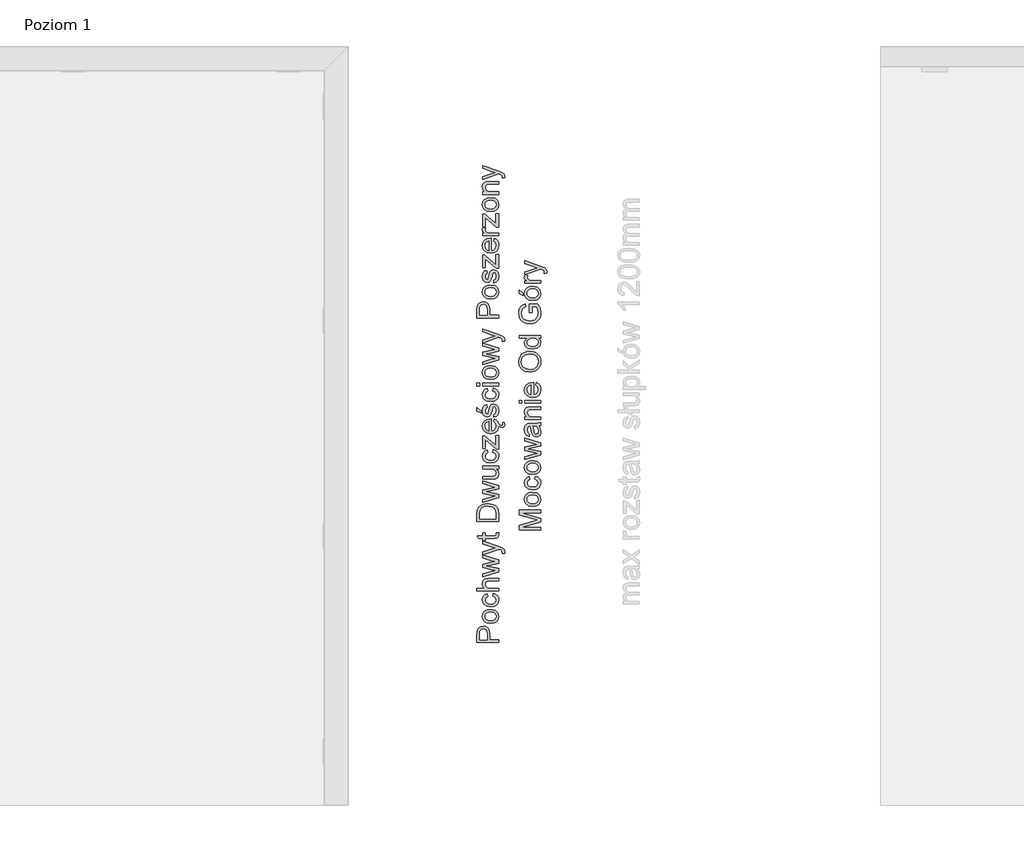
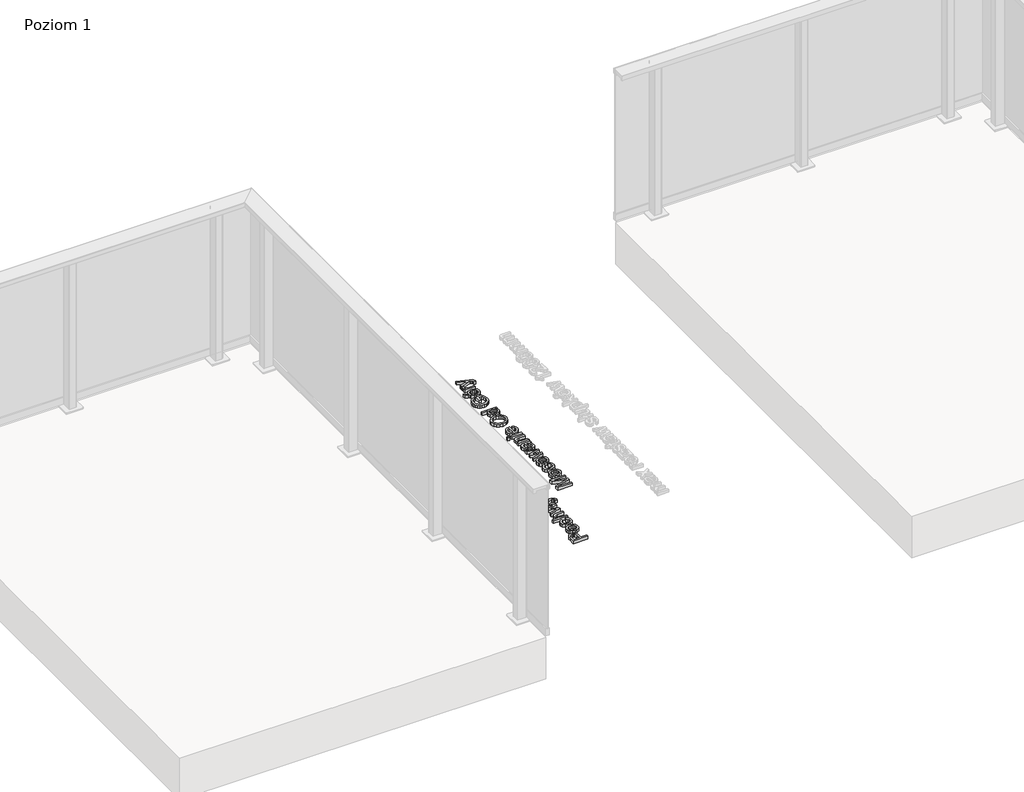
# One storey, part 12 of 35: 2 proxies.
"""IFC4 building model written with IfcOpenShell, lengths in millimetres."""

from ifc_helpers import new_model, si_unit, origin, origin_with_axes, place, context, project, spatial, polyline, outline, extrude, element, save

model = new_model("IFC4")

# Units and contexts
model_context = context("Model", 3, world=origin())
ifc_project = project(units=[si_unit("LENGTHUNIT", "METRE", prefix="MILLI")], contexts=[model_context])

# Site, building, storey
site = spatial("IfcSite", under=ifc_project)
building = spatial("IfcBuilding", under=site)
storey = spatial("IfcBuildingStorey", under=building, Name="Poziom 1", Elevation=0.0)

# Proxies
placement = place(None, origin())
element("IfcBuildingElementProxy", 1, Name="Generic Models", at=placement, inside=storey, context=model_context, shape_type="SweptSolid", body=[
    extrude(outline(polyline([(15115.5993765, -13873.2524168), (15015.1430664, -13873.2524168), (15015.1430664, -13836.0227589), (15016.0995596, -13821.0131735), (15020.7961864, -13808.811754), (15030.508271, -13800.9022911), (15044.205744, -13797.9101842), (15056.0454129, -13799.9304695), (15065.9107817, -13805.9913253), (15072.5694458, -13817.3251565), (15074.7890005, -13835.1643675), (15074.7890005, -13860.695378), (15115.5993765, -13860.695378), (15115.5993765, -13873.2524168)]), holes=[polyline([(15062.2319618, -13860.695378), (15062.2319618, -13834.4286035), (15057.6211741, -13815.9364019), (15052.0722873, -13811.8345177), (15044.6472024, -13810.4672229), (15034.2484047, -13813.6923218), (15028.5584965, -13822.1658704), (15027.7001052, -13834.7229091), (15027.7001052, -13860.695378), (15062.2319618, -13860.695378)])]), origin_with_axes(), (0.0, 0.0, 1.0), 20.0),
    extrude(outline(polyline([(15078.7130752, -13785.3531454), (15060.9259807, -13782.63695), (15048.4241242, -13774.4883638), (15042.298889, -13764.4206599), (15040.2571439, -13752.3663932), (15042.7434131, -13739.1747579), (15050.2022205, -13728.6380045), (15062.0449551, -13721.73102), (15077.6830056, -13719.4286919), (15100.0257054, -13723.4999193), (15112.6685833, -13735.3579822), (15117.1690064, -13752.3663932), (15114.6919343, -13765.7174439), (15107.260718, -13776.2419346), (15095.1696631, -13783.0753427), (15078.7130752, -13785.3531454)]), holes=[polyline([(15078.6885497, -13772.7961066), (15090.0530377, -13771.3429727), (15098.1495072, -13766.9835711), (15102.9963525, -13760.4230089), (15104.6119676, -13752.3663932), (15102.9871555, -13744.3465657), (15098.112719, -13737.7982661), (15089.9089505, -13733.4388645), (15078.2961422, -13731.9857306), (15067.2627481, -13733.4480616), (15059.2766431, -13737.8350543), (15054.4297978, -13744.3925509), (15052.8141827, -13752.3663932), (15054.4236664, -13760.4230089), (15059.2521176, -13766.9835711), (15067.3301931, -13771.3429727), (15078.6885497, -13772.7961066)])]), origin_with_axes(), (0.0, 0.0, 1.0), 20.0),
    extrude(outline(polyline([(15088.9156692, -13658.2131279), (15090.485299, -13645.6560891), (15101.6535832, -13649.1570994), (15110.0934093, -13655.7360558), (15115.4001071, -13664.7736901), (15117.1690064, -13675.6507344), (15114.7011313, -13689.0079165), (15107.2975062, -13699.4526995), (15095.2830934, -13706.1941371), (15078.9828553, -13708.4412829), (15058.1239462, -13704.6030475), (15044.7207788, -13692.9044), (15040.2571439, -13675.8224127), (15041.7899856, -13665.2120828), (15046.3885105, -13656.7293371), (15053.8074641, -13650.6439558), (15063.8015916, -13647.2257189), (15065.3712215, -13659.7827577), (15055.9657051, -13665.607556), (15052.8141827, -13675.7243108), (15054.3654184, -13683.8391745), (15059.0191257, -13690.2801751), (15067.0266904, -13694.4832269), (15078.6394988, -13695.8842442), (15090.4086569, -13694.5138837), (15098.4438128, -13690.4028024), (15103.0699289, -13684.0782978), (15104.6119676, -13676.0676674), (15100.7614694, -13664.2341298), (15088.9156692, -13658.2131279)])), origin_with_axes(), (0.0, 0.0, 1.0), 20.0),
    extrude(outline(polyline([(15115.5993765, -13634.6686802), (15015.1430664, -13634.6686802), (15015.1430664, -13622.1116414), (15052.0784187, -13622.1116414), (15043.2124626, -13612.319849), (15040.2571439, -13600.2594509), (15043.4822427, -13586.1573077), (15052.3972498, -13577.59792), (15068.9028886, -13575.022746), (15115.5993765, -13575.022746), (15115.5993765, -13587.5797848), (15070.2027383, -13587.5797848), (15056.9589865, -13591.5774358), (15052.8141827, -13602.9082013), (15055.6100859, -13613.1966344), (15063.188455, -13620.063765), (15076.4076813, -13622.1116414), (15115.5993765, -13622.1116414), (15115.5993765, -13634.6686802)])), origin_with_axes(), (0.0, 0.0, 1.0), 20.0),
    extrude(outline(polyline([(15115.5993765, -13545.51861), (15041.8267738, -13567.9594117), (15041.8267738, -13554.9118636), (15084.8689672, -13542.1831466), (15100.2464346, -13538.3816993), (15085.4330529, -13535.2669651), (15041.8267738, -13525.1379475), (15041.8267738, -13510.177413), (15085.3104256, -13500.0974463), (15098.7258557, -13497.3260686), (15084.5746616, -13493.3529431), (15041.8267738, -13480.5997006), (15041.8267738, -13467.5031016), (15115.5993765, -13490.1155815), (15115.5993765, -13505.2968452), (15072.3364539, -13514.9353535), (15058.8474474, -13517.7312566), (15115.5993765, -13530.1656681), (15115.5993765, -13545.51861)])), origin_with_axes(), (0.0, 0.0, 1.0), 20.0),
    extrude(outline(polyline([(15143.8527138, -13458.8701374), (15131.7616589, -13460.4397673), (15132.8653048, -13454.063146), (15131.479616, -13448.1034577), (15127.616855, -13444.4491632), (15118.3707542, -13441.0155979), (15115.3295964, -13440.0345793), (15041.8267738, -13466.7182866), (15041.8267738, -13453.4745348), (15082.7843026, -13439.3233407), (15099.1673141, -13434.393722), (15084.6972889, -13429.4641033), (15041.8267738, -13414.9205017), (15041.8267738, -13401.7748518), (15117.3652101, -13427.453015), (15133.7482216, -13434.1239419), (15142.601915, -13441.4080054), (15145.4223436, -13451.1936664), (15143.8527138, -13458.8701374)])), origin_with_axes(), (0.0, 0.0, 1.0), 20.0),
    extrude(outline(polyline([(15105.1270024, -13364.6923466), (15115.9672585, -13363.1227168), (15117.1690064, -13372.5159704), (15115.0843417, -13383.0373955), (15109.6151627, -13388.2858453), (15095.3658668, -13389.8064242), (15054.3838125, -13389.8064242), (15054.3838125, -13399.2242033), (15041.8267738, -13399.2242033), (15041.8267738, -13389.8064242), (15023.8986579, -13389.8064242), (15016.5164925, -13377.2493854), (15041.8267738, -13377.2493854), (15041.8267738, -13364.6923466), (15054.3838125, -13364.6923466), (15054.3838125, -13377.2493854), (15094.9979848, -13377.2493854), (15101.4727079, -13376.5871978), (15103.765839, -13374.4412195), (15104.6119676, -13370.1615256), (15105.1270024, -13364.6923466)])), origin_with_axes(), (0.0, 0.0, 1.0), 20.0),
    extrude(outline(polyline([(15115.5993765, -13311.3249319), (15015.1430664, -13311.3249319), (15015.1430664, -13276.6704479), (15016.5900689, -13258.742332), (15023.7760305, -13243.9780013), (15040.943857, -13232.0831501), (15064.8316612, -13228.13455), (15085.1019591, -13230.8078259), (15099.7313998, -13237.6749564), (15108.8426106, -13246.8474809), (15113.8825939, -13258.8526966), (15115.5993765, -13275.0027162), (15115.5993765, -13311.3249319)]), holes=[polyline([(15103.0423378, -13298.7678931), (15103.0423378, -13276.5478206), (15101.2274533, -13260.3855383), (15096.1016308, -13251.0658611), (15083.6304312, -13243.4261783), (15064.6354575, -13240.6915888), (15050.9502472, -13242.0312924), (15040.8457551, -13246.0504032), (15029.7111934, -13259.0856886), (15027.7001052, -13276.8911771), (15027.7001052, -13298.7678931), (15103.0423378, -13298.7678931)])]), origin_with_axes(), (0.0, 0.0, 1.0), 20.0),
    extrude(outline(polyline([(15115.5993765, -13200.2000439), (15041.8267738, -13222.6408456), (15041.8267738, -13209.5932975), (15084.8689672, -13196.8645804), (15100.2464346, -13193.0631332), (15085.4330529, -13189.9483989), (15041.8267738, -13179.8193813), (15041.8267738, -13164.8588469), (15085.3104256, -13154.7788802), (15098.7258557, -13152.0075025), (15084.5746616, -13148.0343769), (15041.8267738, -13135.2811344), (15041.8267738, -13122.1845354), (15115.5993765, -13144.7970154), (15115.5993765, -13159.9782791), (15072.3364539, -13169.6167873), (15058.8474474, -13172.4126905), (15115.5993765, -13184.8471019), (15115.5993765, -13200.2000439)])), origin_with_axes(), (0.0, 0.0, 1.0), 20.0),
    extrude(outline(polyline([(15115.5993765, -13066.4626759), (15102.9197104, -13066.4626759), (15113.6066824, -13076.2973879), (15117.1690064, -13089.1242068), (15114.6674088, -13100.9332188), (15108.3888894, -13109.0756737), (15099.1427886, -13112.8158073), (15087.4686666, -13113.5515713), (15041.8267738, -13113.5515713), (15041.8267738, -13100.9945325), (15081.5580292, -13100.9945325), (15094.3603227, -13100.234243), (15101.8773781, -13095.2678361), (15104.6119676, -13085.9113707), (15101.8160644, -13075.4267338), (15094.2009071, -13068.4982896), (15080.2091286, -13066.4626759), (15041.8267738, -13066.4626759), (15041.8267738, -13053.9056371), (15115.5993765, -13053.9056371), (15115.5993765, -13066.4626759)])), origin_with_axes(), (0.0, 0.0, 1.0), 20.0),
    extrude(outline(polyline([(15088.9156692, -12989.5508134), (15090.485299, -12976.9937747), (15101.6535832, -12980.494785), (15110.0934093, -12987.0737413), (15115.4001071, -12996.1113757), (15117.1690064, -13006.98842), (15114.7011313, -13020.3456021), (15107.2975062, -13030.7903851), (15095.2830934, -13037.5318226), (15078.9828553, -13039.7789685), (15058.1239462, -13035.940733), (15044.7207788, -13024.2420856), (15040.2571439, -13007.1600983), (15041.7899856, -12996.5497684), (15046.3885105, -12988.0670227), (15053.8074641, -12981.9816414), (15063.8015916, -12978.5634045), (15065.3712215, -12991.1204433), (15055.9657051, -12996.9452415), (15052.8141827, -13007.0619964), (15054.3654184, -13015.1768601), (15059.0191257, -13021.6178607), (15067.0266904, -13025.8209125), (15078.6394988, -13027.2219297), (15090.4086569, -13025.8515693), (15098.4438128, -13021.740488), (15103.0699289, -13015.4159834), (15104.6119676, -13007.4053529), (15100.7614694, -12995.5718154), (15088.9156692, -12989.5508134)])), origin_with_axes(), (0.0, 0.0, 1.0), 20.0),
    extrude(outline(polyline([(15115.5993765, -12973.854515), (15103.7781018, -12973.854515), (15054.3838125, -12930.5180159), (15054.3838125, -12943.3448348), (15054.3838125, -12970.7152553), (15041.8267738, -12970.7152553), (15041.8267738, -12912.638951), (15052.4953516, -12912.638951), (15096.32236, -12951.0703567), (15103.0423378, -12956.9564687), (15103.0423378, -12942.4373926), (15103.0423378, -12911.0693211), (15115.5993765, -12911.0693211), (15115.5993765, -12973.854515)])), origin_with_axes(), (0.0, 0.0, 1.0), 20.0),
    extrude(outline(polyline([(15093.6245587, -12846.8616502), (15095.1941885, -12834.5498661), (15104.4709462, -12838.9859098), (15111.4055218, -12846.0645726), (15115.768218, -12855.9570793), (15121.6694295, -12861.8344474), (15128.9902812, -12863.9804257), (15133.9689508, -12862.4475841), (15136.0045645, -12857.4811772), (15135.5631061, -12854.3419175), (15134.3858838, -12851.423387), (15143.0433734, -12851.423387), (15145.4223436, -12860.2280294), (15144.4167995, -12866.0037767), (15141.6454218, -12870.1240551), (15137.5864571, -12872.5888644), (15132.6691011, -12873.3982048), (15123.7540941, -12870.9456582), (15116.8755159, -12865.091109), (15117.1690064, -12867.5120929), (15114.6827372, -12882.2457668), (15107.2239298, -12893.5826636), (15095.276962, -12900.8115448), (15079.3262118, -12903.2211719), (15062.8389671, -12900.7870194), (15050.5087889, -12893.4845618), (15042.8200552, -12882.3009491), (15040.2571439, -12868.2233314), (15042.8139238, -12854.5841064), (15050.4842634, -12843.6856023), (15062.7899161, -12836.5394946), (15079.2526354, -12834.1574587), (15082.6371498, -12834.2310351), (15082.6371498, -12890.6641331), (15092.0365347, -12888.4905637), (15098.9465849, -12883.4413833), (15103.1956219, -12876.1542541), (15104.6119676, -12867.2668382), (15101.9877427, -12854.9550541), (15093.6245587, -12846.8616502)]), holes=[polyline([(15070.080111, -12890.6641331), (15070.080111, -12846.7144974), (15058.7002946, -12851.742218), (15054.2857107, -12859.0630697), (15052.8141827, -12868.2723823), (15057.5108095, -12883.7356889), (15063.0014483, -12888.6009283), (15070.080111, -12890.6641331)])]), origin_with_axes(), (0.0, 0.0, 1.0), 20.0),
    extrude(outline(polyline([(15093.6245587, -12826.3093094), (15092.0549288, -12813.7522707), (15101.3746061, -12807.9397351), (15104.6119676, -12794.6224069), (15101.6443862, -12781.8201135), (15094.6791537, -12777.6507842), (15089.0382965, -12781.8446389), (15085.4575784, -12794.7695597), (15079.3139491, -12813.6786943), (15072.1402502, -12821.9315137), (15062.0112326, -12824.7396796), (15052.6547672, -12822.4833367), (15045.5055937, -12816.3274446), (15041.7899856, -12808.3444053), (15040.2571439, -12797.5409374), (15042.7219533, -12782.2615719), (15049.3928801, -12772.5494872), (15060.6623319, -12768.2330051), (15062.2319618, -12780.7900439), (15055.3035175, -12785.5111962), (15052.8141827, -12796.5599188), (15055.1931529, -12808.5773973), (15060.7359083, -12812.1826408), (15064.3902028, -12810.6865874), (15067.1615805, -12806.0022233), (15069.8348563, -12795.1864926), (15075.7454937, -12776.7556047), (15082.440946, -12768.1962169), (15093.3547786, -12765.0937454), (15105.3722571, -12768.7357772), (15114.0910604, -12779.2449395), (15117.1690064, -12794.7940852), (15115.6852157, -12807.4553572), (15111.2338435, -12816.6953266), (15103.8639409, -12822.8634814), (15093.6245587, -12826.3093094)])), origin_with_axes(), (0.0, 0.0, 1.0), 20.0),
    extrude(outline(polyline([(15033.9786245, -12807.4737513), (15015.1430664, -12798.0559722), (15015.1430664, -12782.3596737), (15033.9786245, -12798.0559722), (15033.9786245, -12807.4737513)])), origin_with_axes(), (0.0, 0.0, 1.0), 20.0),
    extrude(outline(polyline([(15088.9156692, -12703.8781814), (15090.485299, -12691.3211427), (15101.6535832, -12694.822153), (15110.0934093, -12701.4011093), (15115.4001071, -12710.4387437), (15117.1690064, -12721.315788), (15114.7011313, -12734.6729701), (15107.2975062, -12745.1177531), (15095.2830934, -12751.8591907), (15078.9828553, -12754.1063365), (15058.1239462, -12750.268101), (15044.7207788, -12738.5694536), (15040.2571439, -12721.4874663), (15041.7899856, -12710.8771364), (15046.3885105, -12702.3943907), (15053.8074641, -12696.3090094), (15063.8015916, -12692.8907725), (15065.3712215, -12705.4478113), (15055.9657051, -12711.2726095), (15052.8141827, -12721.3893644), (15054.3654184, -12729.5042281), (15059.0191257, -12735.9452287), (15067.0266904, -12740.1482805), (15078.6394988, -12741.5492977), (15090.4086569, -12740.1789373), (15098.4438128, -12736.067856), (15103.0699289, -12729.7433514), (15104.6119676, -12721.7327209), (15100.7614694, -12709.8991834), (15088.9156692, -12703.8781814)])), origin_with_axes(), (0.0, 0.0, 1.0), 20.0),
    extrude(outline(polyline([(15027.7001052, -12680.3337337), (15015.1430664, -12680.3337337), (15015.1430664, -12667.776695), (15027.7001052, -12667.776695), (15027.7001052, -12680.3337337)])), origin_with_axes(), (0.0, 0.0, 1.0), 20.0),
    extrude(outline(polyline([(15115.5993765, -12680.3337337), (15041.8267738, -12680.3337337), (15041.8267738, -12667.776695), (15115.5993765, -12667.776695), (15115.5993765, -12680.3337337)])), origin_with_axes(), (0.0, 0.0, 1.0), 20.0),
    extrude(outline(polyline([(15078.7130752, -12652.0803965), (15060.9259807, -12649.3642011), (15048.4241242, -12641.2156149), (15042.298889, -12631.147911), (15040.2571439, -12619.0936443), (15042.7434131, -12605.9020091), (15050.2022205, -12595.3652556), (15062.0449551, -12588.4582711), (15077.6830056, -12586.155943), (15100.0257054, -12590.2271704), (15112.6685833, -12602.0852334), (15117.1690064, -12619.0936443), (15114.6919343, -12632.444695), (15107.260718, -12642.9691858), (15095.1696631, -12649.8025938), (15078.7130752, -12652.0803965)]), holes=[polyline([(15078.6885497, -12639.5233577), (15090.0530377, -12638.0702239), (15098.1495072, -12633.7108222), (15102.9963525, -12627.15026), (15104.6119676, -12619.0936443), (15102.9871555, -12611.0738168), (15098.112719, -12604.5255173), (15089.9089505, -12600.1661156), (15078.2961422, -12598.7129817), (15067.2627481, -12600.1753127), (15059.2766431, -12604.5623055), (15054.4297978, -12611.119802), (15052.8141827, -12619.0936443), (15054.4236664, -12627.15026), (15059.2521176, -12633.7108222), (15067.3301931, -12638.0702239), (15078.6885497, -12639.5233577)])]), origin_with_axes(), (0.0, 0.0, 1.0), 20.0),
    extrude(outline(polyline([(15115.5993765, -12559.7910667), (15041.8267738, -12582.2318684), (15041.8267738, -12569.1843203), (15084.8689672, -12556.4556032), (15100.2464346, -12552.654156), (15085.4330529, -12549.5394217), (15041.8267738, -12539.4104041), (15041.8267738, -12524.4498697), (15085.3104256, -12514.369903), (15098.7258557, -12511.5985253), (15084.5746616, -12507.6253997), (15041.8267738, -12494.8721572), (15041.8267738, -12481.7755582), (15115.5993765, -12504.3880382), (15115.5993765, -12519.5693019), (15072.3364539, -12529.2078101), (15058.8474474, -12532.0037133), (15115.5993765, -12544.4381247), (15115.5993765, -12559.7910667)])), origin_with_axes(), (0.0, 0.0, 1.0), 20.0),
    extrude(outline(polyline([(15143.8527138, -12473.1425941), (15131.7616589, -12474.7122239), (15132.8653048, -12468.3356027), (15131.479616, -12462.3759143), (15127.616855, -12458.7216199), (15118.3707542, -12455.2880546), (15115.3295964, -12454.3070359), (15041.8267738, -12480.9907433), (15041.8267738, -12467.7469915), (15082.7843026, -12453.5957974), (15099.1673141, -12448.6661787), (15084.6972889, -12443.7365599), (15041.8267738, -12429.1929584), (15041.8267738, -12416.0473084), (15117.3652101, -12441.7254717), (15133.7482216, -12448.3963985), (15142.601915, -12455.680462), (15145.4223436, -12465.4661231), (15143.8527138, -12473.1425941)])), origin_with_axes(), (0.0, 0.0, 1.0), 20.0),
    extrude(outline(polyline([(15115.5993765, -12364.8381347), (15015.1430664, -12364.8381347), (15015.1430664, -12327.6084768), (15016.0995596, -12312.5988914), (15020.7961864, -12300.3974719), (15030.508271, -12292.488009), (15044.205744, -12289.4959021), (15056.0454129, -12291.5161874), (15065.9107817, -12297.5770432), (15072.5694458, -12308.9108744), (15074.7890005, -12326.7500854), (15074.7890005, -12352.2810959), (15115.5993765, -12352.2810959), (15115.5993765, -12364.8381347)]), holes=[polyline([(15062.2319618, -12352.2810959), (15062.2319618, -12326.0143215), (15057.6211741, -12307.5221198), (15052.0722873, -12303.4202356), (15044.6472024, -12302.0529408), (15034.2484047, -12305.2780397), (15028.5584965, -12313.7515883), (15027.7001052, -12326.3086271), (15027.7001052, -12352.2810959), (15062.2319618, -12352.2810959)])]), origin_with_axes(), (0.0, 0.0, 1.0), 20.0),
    extrude(outline(polyline([(15078.7130752, -12276.9388633), (15060.9259807, -12274.2226679), (15048.4241242, -12266.0740817), (15042.298889, -12256.0063778), (15040.2571439, -12243.9521111), (15042.7434131, -12230.7604759), (15050.2022205, -12220.2237224), (15062.0449551, -12213.3167379), (15077.6830056, -12211.0144098), (15100.0257054, -12215.0856372), (15112.6685833, -12226.9437002), (15117.1690064, -12243.9521111), (15114.6919343, -12257.3031618), (15107.260718, -12267.8276526), (15095.1696631, -12274.6610606), (15078.7130752, -12276.9388633)]), holes=[polyline([(15078.6885497, -12264.3818245), (15090.0530377, -12262.9286907), (15098.1495072, -12258.569289), (15102.9963525, -12252.0087268), (15104.6119676, -12243.9521111), (15102.9871555, -12235.9322836), (15098.112719, -12229.3839841), (15089.9089505, -12225.0245824), (15078.2961422, -12223.5714485), (15067.2627481, -12225.0337795), (15059.2766431, -12229.4207723), (15054.4297978, -12235.9782688), (15052.8141827, -12243.9521111), (15054.4236664, -12252.0087268), (15059.2521176, -12258.569289), (15067.3301931, -12262.9286907), (15078.6885497, -12264.3818245)])]), origin_with_axes(), (0.0, 0.0, 1.0), 20.0),
    extrude(outline(polyline([(15093.6245587, -12201.5966307), (15092.0549288, -12189.0395919), (15101.3746061, -12183.2270564), (15104.6119676, -12169.9097282), (15101.6443862, -12157.1074347), (15094.6791537, -12152.9381055), (15089.0382965, -12157.1319602), (15085.4575784, -12170.056881), (15079.3139491, -12188.9660155), (15072.1402502, -12197.2188349), (15062.0112326, -12200.0270008), (15052.6547672, -12197.7706579), (15045.5055937, -12191.6147659), (15041.7899856, -12183.6317266), (15040.2571439, -12172.8282587), (15042.7219533, -12157.5488931), (15049.3928801, -12147.8368085), (15060.6623319, -12143.5203264), (15062.2319618, -12156.0773652), (15055.3035175, -12160.7985174), (15052.8141827, -12171.84724), (15055.1931529, -12183.8647185), (15060.7359083, -12187.4699621), (15064.3902028, -12185.9739086), (15067.1615805, -12181.2895446), (15069.8348563, -12170.4738139), (15075.7454937, -12152.0429259), (15082.440946, -12143.4835382), (15093.3547786, -12140.3810667), (15105.3722571, -12144.0230984), (15114.0910604, -12154.5322608), (15117.1690064, -12170.0814064), (15115.6852157, -12182.7426784), (15111.2338435, -12191.9826479), (15103.8639409, -12198.1508027), (15093.6245587, -12201.5966307)])), origin_with_axes(), (0.0, 0.0, 1.0), 20.0),
    extrude(outline(polyline([(15115.5993765, -12134.1025473), (15103.7781018, -12134.1025473), (15054.3838125, -12090.7660483), (15054.3838125, -12103.5928672), (15054.3838125, -12130.9632876), (15041.8267738, -12130.9632876), (15041.8267738, -12072.8869833), (15052.4953516, -12072.8869833), (15096.32236, -12111.3183891), (15103.0423378, -12117.204501), (15103.0423378, -12102.6854249), (15103.0423378, -12071.3173535), (15115.5993765, -12071.3173535), (15115.5993765, -12134.1025473)])), origin_with_axes(), (0.0, 0.0, 1.0), 20.0),
    extrude(outline(polyline([(15093.6245587, -12007.1096826), (15095.1941885, -11994.7978985), (15104.4709462, -11999.2339422), (15111.4055218, -12006.3126049), (15115.7281352, -12015.8744711), (15117.1690064, -12027.7601252), (15114.6827372, -12042.4937991), (15107.2239298, -12053.830696), (15095.276962, -12061.0595772), (15079.3262118, -12063.4692042), (15062.8389671, -12061.0350517), (15050.5087889, -12053.7325941), (15042.8200552, -12042.5489814), (15040.2571439, -12028.4713638), (15042.8139238, -12014.8321388), (15050.4842634, -12003.9336347), (15062.7899161, -11996.7875269), (15079.2526354, -11994.405491), (15082.6371498, -11994.4790674), (15082.6371498, -12050.9121655), (15092.0365347, -12048.738596), (15098.9465849, -12043.6894156), (15103.1956219, -12036.4022864), (15104.6119676, -12027.5148706), (15101.9877427, -12015.2030865), (15093.6245587, -12007.1096826)]), holes=[polyline([(15070.080111, -12050.9121655), (15070.080111, -12006.9625298), (15058.7002946, -12011.9902504), (15054.2857107, -12019.3111021), (15052.8141827, -12028.5204147), (15057.5108095, -12043.9837212), (15063.0014483, -12048.8489606), (15070.080111, -12050.9121655)])]), origin_with_axes(), (0.0, 0.0, 1.0), 20.0),
    extrude(outline(polyline([(15115.5993765, -11942.6077061), (15103.7781018, -11942.6077061), (15054.3838125, -11899.2712071), (15054.3838125, -11912.098026), (15054.3838125, -11939.4684464), (15041.8267738, -11939.4684464), (15041.8267738, -11881.3921421), (15052.4953516, -11881.3921421), (15096.32236, -11919.8235479), (15103.0423378, -11925.7096598), (15103.0423378, -11911.1905837), (15103.0423378, -11879.8225122), (15115.5993765, -11879.8225122), (15115.5993765, -11942.6077061)])), origin_with_axes(), (0.0, 0.0, 1.0), 20.0),
    extrude(outline(polyline([(15115.5993765, -11981.8484522), (15041.8267738, -11981.8484522), (15041.8267738, -11970.8610433), (15052.7406063, -11970.8610433), (15042.6851651, -11963.061945), (15040.2571439, -11955.2137958), (15044.1321676, -11942.6077061), (15055.3893567, -11946.8015608), (15052.8141827, -11955.6307287), (15055.2912548, -11962.7308512), (15062.1583854, -11967.2557998), (15076.8246142, -11969.2914135), (15115.5993765, -11969.2914135), (15115.5993765, -11981.8484522)])), origin_with_axes(), (0.0, 0.0, 1.0), 20.0),
    extrude(outline(polyline([(15078.7130752, -11870.4047332), (15060.9259807, -11867.6885378), (15048.4241242, -11859.5399516), (15042.298889, -11849.4722476), (15040.2571439, -11837.4179809), (15042.7434131, -11824.2263457), (15050.2022205, -11813.6895922), (15062.0449551, -11806.7826078), (15077.6830056, -11804.4802796), (15100.0257054, -11808.551507), (15112.6685833, -11820.40957), (15117.1690064, -11837.4179809), (15114.6919343, -11850.7690317), (15107.260718, -11861.2935224), (15095.1696631, -11868.1269305), (15078.7130752, -11870.4047332)]), holes=[polyline([(15078.6885497, -11857.8476944), (15090.0530377, -11856.3945605), (15098.1495072, -11852.0351589), (15102.9963525, -11845.4745966), (15104.6119676, -11837.4179809), (15102.9871555, -11829.3981534), (15098.112719, -11822.8498539), (15089.9089505, -11818.4904523), (15078.2961422, -11817.0373184), (15067.2627481, -11818.4996493), (15059.2766431, -11822.8866421), (15054.4297978, -11829.4441387), (15052.8141827, -11837.4179809), (15054.4236664, -11845.4745966), (15059.2521176, -11852.0351589), (15067.3301931, -11856.3945605), (15078.6885497, -11857.8476944)])]), origin_with_axes(), (0.0, 0.0, 1.0), 20.0),
    extrude(outline(polyline([(15115.5993765, -11790.353611), (15041.8267738, -11790.353611), (15041.8267738, -11777.7965722), (15052.1274696, -11777.7965722), (15043.2247253, -11768.1948522), (15040.2571439, -11755.0859904), (15042.6483769, -11743.2279274), (15048.9268963, -11735.1345235), (15058.1607344, -11731.3698645), (15070.3008402, -11730.7076769), (15115.5993765, -11730.7076769), (15115.5993765, -11743.2647156), (15071.9930974, -11743.2647156), (15060.8830611, -11744.7117181), (15055.0092119, -11749.8252779), (15052.8141827, -11758.4459793), (15057.7438014, -11772.0698759), (15064.8868435, -11776.3648981), (15076.4567322, -11777.7965722), (15115.5993765, -11777.7965722), (15115.5993765, -11790.353611)])), origin_with_axes(), (0.0, 0.0, 1.0), 20.0),
    extrude(outline(polyline([(15143.8527138, -11713.4417486), (15131.7616589, -11715.0113784), (15132.8653048, -11708.6347572), (15131.479616, -11702.6750688), (15127.616855, -11699.0207743), (15118.3707542, -11695.5872091), (15115.3295964, -11694.6061904), (15041.8267738, -11721.2898978), (15041.8267738, -11708.046146), (15082.7843026, -11693.8949519), (15099.1673141, -11688.9653331), (15084.6972889, -11684.0357144), (15041.8267738, -11669.4921129), (15041.8267738, -11656.3464629), (15117.3652101, -11682.0246262), (15133.7482216, -11688.695553), (15142.601915, -11695.9796165), (15145.4223436, -11705.7652776), (15143.8527138, -11713.4417486)])), origin_with_axes(), (0.0, 0.0, 1.0), 20.0),
])
element("IfcBuildingElementProxy", 2, Name="Generic Models", at=placement, inside=storey, context=model_context, shape_type="SweptSolid", body=[
    extrude(outline(polyline([(15311.0111089, -13350.8578482), (15210.5547987, -13350.8578482), (15210.5547987, -13329.2509123), (15281.3598201, -13308.6985715), (15296.1486763, -13304.5537677), (15280.1335468, -13300.0656074), (15210.5547987, -13279.8566231), (15210.5547987, -13258.2496873), (15311.0111089, -13258.2496873), (15311.0111089, -13270.806726), (15223.1118375, -13270.806726), (15311.0111089, -13296.0434309), (15311.0111089, -13313.0641045), (15223.1118375, -13338.3008094), (15311.0111089, -13338.3008094), (15311.0111089, -13350.8578482)])), origin_with_axes(), (0.0, 0.0, 1.0), 20.0),
    extrude(outline(polyline([(15274.1248075, -13240.983759), (15256.337713, -13238.2675636), (15243.8358566, -13230.1189774), (15237.7106214, -13220.0512734), (15235.6688763, -13207.9970067), (15238.1551454, -13194.8053715), (15245.6139529, -13184.268618), (15257.4566874, -13177.3616336), (15273.0947379, -13175.0593054), (15295.4374378, -13179.1305328), (15308.0803157, -13190.9885958), (15312.5807387, -13207.9970067), (15310.1036666, -13221.3480575), (15302.6724503, -13231.8725482), (15290.5813954, -13238.7059563), (15274.1248075, -13240.983759)]), holes=[polyline([(15274.100282, -13228.4267202), (15285.46477, -13226.9735863), (15293.5612396, -13222.6141847), (15298.4080849, -13216.0536224), (15300.0237, -13207.9970067), (15298.3988878, -13199.9771792), (15293.5244514, -13193.4288797), (15285.3206829, -13189.0694781), (15273.7078746, -13187.6163442), (15262.6744804, -13189.0786751), (15254.6883754, -13193.4656679), (15249.8415301, -13200.0231645), (15248.225915, -13207.9970067), (15249.8353988, -13216.0536224), (15254.66385, -13222.6141847), (15262.7419254, -13226.9735863), (15274.100282, -13228.4267202)])]), origin_with_axes(), (0.0, 0.0, 1.0), 20.0),
    extrude(outline(polyline([(15284.3274015, -13113.8437414), (15285.8970314, -13101.2867027), (15297.0653156, -13104.787713), (15305.5051417, -13111.3666693), (15310.8118395, -13120.4043037), (15312.5807387, -13131.281348), (15310.1128637, -13144.6385301), (15302.7092385, -13155.0833131), (15290.6948257, -13161.8247506), (15274.3945876, -13164.0718965), (15253.5356785, -13160.233661), (15240.1325112, -13148.5350136), (15235.6688763, -13131.4530263), (15237.2017179, -13120.8426964), (15241.8002429, -13112.3599507), (15249.2191964, -13106.2745694), (15259.213324, -13102.8563325), (15260.7829538, -13115.4133713), (15251.3774375, -13121.2381695), (15248.225915, -13131.3549244), (15249.7771508, -13139.4697881), (15254.430858, -13145.9107887), (15262.4384228, -13150.1138405), (15274.0512311, -13151.5148577), (15285.8203893, -13150.1444973), (15293.8555452, -13146.033416), (15298.4816613, -13139.7089114), (15300.0237, -13131.6982809), (15296.1732018, -13119.8647434), (15284.3274015, -13113.8437414)])), origin_with_axes(), (0.0, 0.0, 1.0), 20.0),
    extrude(outline(polyline([(15274.1248075, -13093.4385534), (15256.337713, -13090.722358), (15243.8358566, -13082.5737718), (15237.7106214, -13072.5060679), (15235.6688763, -13060.4518012), (15238.1551454, -13047.260166), (15245.6139529, -13036.7234125), (15257.4566874, -13029.816428), (15273.0947379, -13027.5140999), (15295.4374378, -13031.5853273), (15308.0803157, -13043.4433903), (15312.5807387, -13060.4518012), (15310.1036666, -13073.8028519), (15302.6724503, -13084.3273427), (15290.5813954, -13091.1607507), (15274.1248075, -13093.4385534)]), holes=[polyline([(15274.100282, -13080.8815147), (15285.46477, -13079.4283808), (15293.5612396, -13075.0689791), (15298.4080849, -13068.5084169), (15300.0237, -13060.4518012), (15298.3988878, -13052.4319737), (15293.5244514, -13045.8836742), (15285.3206829, -13041.5242725), (15273.7078746, -13040.0711387), (15262.6744804, -13041.5334696), (15254.6883754, -13045.9204624), (15249.8415301, -13052.4779589), (15248.225915, -13060.4518012), (15249.8353988, -13068.5084169), (15254.66385, -13075.0689791), (15262.7419254, -13079.4283808), (15274.100282, -13080.8815147)])]), origin_with_axes(), (0.0, 0.0, 1.0), 20.0),
    extrude(outline(polyline([(15311.0111089, -13001.1492236), (15237.2385061, -13023.5900253), (15237.2385061, -13010.5424772), (15280.2806996, -12997.8137601), (15295.658167, -12994.0123129), (15280.8447853, -12990.8975786), (15237.2385061, -12980.768561), (15237.2385061, -12965.8080266), (15280.722158, -12955.7280599), (15294.137588, -12952.9566822), (15279.986394, -12948.9835566), (15237.2385061, -12936.2303141), (15237.2385061, -12923.1337151), (15311.0111089, -12945.7461951), (15311.0111089, -12960.9274588), (15267.7481863, -12970.565967), (15254.2591798, -12973.3618702), (15311.0111089, -12985.7962816), (15311.0111089, -13001.1492236)])), origin_with_axes(), (0.0, 0.0, 1.0), 20.0),
    extrude(outline(polyline([(15301.5933298, -12867.4118556), (15310.1036666, -12879.5887496), (15312.5807387, -12893.0409679), (15311.0908167, -12903.5348018), (15306.6210504, -12911.2756521), (15299.8336276, -12916.048921), (15291.3907358, -12917.6400107), (15281.4579219, -12915.236515), (15274.2474348, -12908.9212074), (15270.1271565, -12900.1288277), (15268.2386956, -12889.2640461), (15263.9222135, -12867.485432), (15261.1263103, -12867.4118556), (15251.8556841, -12870.8699463), (15248.225915, -12884.7513603), (15250.6416735, -12897.4555519), (15259.213324, -12903.513342), (15257.6436941, -12916.0703808), (15245.380961, -12910.63799), (15238.1949993, -12899.699632), (15235.6688763, -12883.1326795), (15237.9006937, -12867.9146276), (15243.5047628, -12859.3184517), (15252.0273623, -12855.4679535), (15263.0147713, -12854.8548168), (15278.6374933, -12854.8548168), (15300.4528956, -12854.2171547), (15311.0111089, -12851.7155571), (15311.0111089, -12864.2725959), (15301.5933298, -12867.4118556)]), holes=[polyline([(15276.4792523, -12867.4118556), (15280.3297505, -12887.6698908), (15282.3653642, -12898.4733587), (15285.6763022, -12903.3661892), (15290.507819, -12905.0829719), (15297.3013732, -12901.3428383), (15300.0237, -12890.3676921), (15297.0193303, -12877.6635005), (15289.7475296, -12869.4719948), (15280.0354449, -12867.485432), (15276.4792523, -12867.4118556)])]), origin_with_axes(), (0.0, 0.0, 1.0), 20.0),
    extrude(outline(polyline([(15311.0111089, -12837.5888885), (15237.2385061, -12837.5888885), (15237.2385061, -12825.0318497), (15247.539202, -12825.0318497), (15238.6364577, -12815.4301297), (15235.6688763, -12802.3212679), (15238.0601092, -12790.4632049), (15244.3386286, -12782.369801), (15253.5724667, -12778.6051419), (15265.7125726, -12777.9429544), (15311.0111089, -12777.9429544), (15311.0111089, -12790.4999931), (15267.4048297, -12790.4999931), (15256.2947935, -12791.9469956), (15250.4209443, -12797.0605554), (15248.225915, -12805.6812568), (15253.1555338, -12819.3051533), (15260.2985759, -12823.6001756), (15271.8684646, -12825.0318497), (15311.0111089, -12825.0318497), (15311.0111089, -12837.5888885)])), origin_with_axes(), (0.0, 0.0, 1.0), 20.0),
    extrude(outline(polyline([(15223.1118375, -12760.677026), (15210.5547987, -12760.677026), (15210.5547987, -12748.1199873), (15223.1118375, -12748.1199873), (15223.1118375, -12760.677026)])), origin_with_axes(), (0.0, 0.0, 1.0), 20.0),
    extrude(outline(polyline([(15311.0111089, -12760.677026), (15237.2385061, -12760.677026), (15237.2385061, -12748.1199873), (15311.0111089, -12748.1199873), (15311.0111089, -12760.677026)])), origin_with_axes(), (0.0, 0.0, 1.0), 20.0),
    extrude(outline(polyline([(15289.036291, -12677.633797), (15290.6059209, -12665.3220129), (15299.8826785, -12669.7580566), (15306.8172541, -12676.8367193), (15311.1398676, -12686.3985855), (15312.5807387, -12698.2842397), (15310.0944696, -12713.0179136), (15302.6356621, -12724.3548104), (15290.6886943, -12731.5836916), (15274.7379442, -12733.9933187), (15258.2506994, -12731.5591661), (15245.9205212, -12724.2567085), (15238.2317875, -12713.0730959), (15235.6688763, -12698.9954782), (15238.2256561, -12685.3562532), (15245.8959957, -12674.4577491), (15258.2016485, -12667.3116414), (15274.6643678, -12664.9296054), (15278.0488821, -12665.0031818), (15278.0488821, -12721.4362799), (15287.4482671, -12719.2627104), (15294.3583172, -12714.2135301), (15298.6073543, -12706.9264009), (15300.0237, -12698.038985), (15297.3994751, -12685.7272009), (15289.036291, -12677.633797)]), holes=[polyline([(15265.4918434, -12721.4362799), (15265.4918434, -12677.4866442), (15254.112027, -12682.5143648), (15249.697443, -12689.8352165), (15248.225915, -12699.0445291), (15252.9225419, -12714.5078357), (15258.4131806, -12719.373075), (15265.4918434, -12721.4362799)])]), origin_with_axes(), (0.0, 0.0, 1.0), 20.0),
    extrude(outline(polyline([(15262.107329, -12616.2710802), (15239.8933879, -12612.9233541), (15223.087312, -12602.8801756), (15212.5107047, -12587.5456278), (15208.9851689, -12568.3237935), (15210.6406379, -12555.1474867), (15215.6070448, -12543.3323433), (15223.5349018, -12533.5221568), (15234.074721, -12526.3607206), (15246.7175989, -12521.9829248), (15260.9546321, -12520.5236596), (15275.3817377, -12522.0595669), (15288.2024252, -12526.6672889), (15298.7606385, -12534.0923739), (15306.4003212, -12544.08037), (15311.0356344, -12555.7943459), (15312.5807387, -12568.3973699), (15310.8731531, -12581.7760118), (15305.7503964, -12593.6586002), (15297.6753866, -12603.4442613), (15287.1110419, -12610.5321211), (15262.107329, -12616.2710802)]), holes=[polyline([(15262.2299563, -12603.7140414), (15277.9446489, -12601.2032468), (15289.9192078, -12593.670863), (15297.4975769, -12582.3492946), (15300.0237, -12568.4709463), (15297.4730515, -12554.3902629), (15289.821106, -12543.0503004), (15277.478665, -12535.5730989), (15260.8565302, -12533.0806984), (15240.1325112, -12537.3481295), (15226.4105127, -12549.8193291), (15221.5422077, -12568.2502171), (15223.8874554, -12581.7576177), (15230.9231985, -12593.2416673), (15243.4403834, -12601.0959479), (15262.2299563, -12603.7140414)])]), origin_with_axes(), (0.0, 0.0, 1.0), 20.0),
    extrude(outline(polyline([(15311.0111089, -12459.3080956), (15299.1653086, -12459.3080956), (15309.2268812, -12467.6160973), (15312.5807387, -12479.1001469), (15307.7246964, -12494.6492926), (15294.1743762, -12505.6367015), (15274.1983839, -12509.5362507), (15254.2101288, -12505.9432699), (15240.4513422, -12495.1765901), (15235.6688763, -12479.1491979), (15239.0901788, -12467.5731778), (15247.9806604, -12459.3080956), (15210.5547987, -12459.3080956), (15210.5547987, -12446.7510568), (15311.0111089, -12446.7510568), (15311.0111089, -12459.3080956)]), holes=[polyline([(15274.149333, -12496.9792119), (15285.5076896, -12495.5628662), (15293.5857651, -12491.3138292), (15298.4142162, -12485.139543), (15300.0237, -12477.94745), (15298.4877926, -12470.7584227), (15293.8800706, -12464.7404864), (15286.1146949, -12460.6661933), (15275.1058262, -12459.3080956), (15263.0699536, -12460.6907188), (15254.7251636, -12464.8385883), (15249.8507272, -12471.0098087), (15248.225915, -12478.4624848), (15249.7863478, -12485.7281542), (15254.4676462, -12491.6817112), (15262.5089335, -12495.6548367), (15274.149333, -12496.9792119)])]), origin_with_axes(), (0.0, 0.0, 1.0), 20.0),
    extrude(outline(polyline([(15271.7703627, -12340.0162273), (15259.213324, -12340.0162273), (15259.213324, -12299.2058513), (15296.7618129, -12299.2058513), (15308.6076132, -12319.3535219), (15312.5807387, -12340.6538894), (15311.0019118, -12354.7407042), (15306.2654312, -12367.4724869), (15298.5368436, -12378.0490942), (15287.981696, -12385.6703829), (15275.320424, -12390.2781049), (15261.2734631, -12391.8140122), (15247.1253347, -12390.2842363), (15233.9643564, -12385.6949084), (15222.9248308, -12378.2361009), (15215.1410609, -12368.0978863), (15210.5241419, -12355.749314), (15208.9851689, -12341.6594335), (15212.5536242, -12322.014535), (15222.4864381, -12308.2434856), (15239.1024416, -12300.6528538), (15242.3643286, -12312.2288739), (15230.7515203, -12317.9555703), (15224.056068, -12327.7412314), (15221.5422077, -12341.8556373), (15224.2522717, -12357.9320805), (15231.3646569, -12368.8704385), (15241.0399534, -12375.3328988), (15260.7584283, -12379.2569735), (15282.6474071, -12374.5358212), (15295.7440061, -12360.80156), (15300.0237, -12341.6594335), (15296.7986011, -12324.4793444), (15289.9192078, -12311.7628901), (15271.7703627, -12311.7628901), (15271.7703627, -12340.0162273)])), origin_with_axes(), (0.0, 0.0, 1.0), 20.0),
    extrude(outline(polyline([(15274.1248075, -12283.5095528), (15256.337713, -12280.7933574), (15243.8358566, -12272.6447712), (15237.7106214, -12262.5770673), (15235.6688763, -12250.5228006), (15238.1551454, -12237.3311654), (15245.6139529, -12226.7944119), (15257.4566874, -12219.8874275), (15273.0947379, -12217.5850993), (15295.4374378, -12221.6563267), (15308.0803157, -12233.5143897), (15312.5807387, -12250.5228006), (15310.1036666, -12263.8738513), (15302.6724503, -12274.3983421), (15290.5813954, -12281.2317502), (15274.1248075, -12283.5095528)]), holes=[polyline([(15274.100282, -12270.9525141), (15285.46477, -12269.4993802), (15293.5612396, -12265.1399785), (15298.4080849, -12258.5794163), (15300.0237, -12250.5228006), (15298.3988878, -12242.5029731), (15293.5244514, -12235.9546736), (15285.3206829, -12231.595272), (15273.7078746, -12230.1421381), (15262.6744804, -12231.604469), (15254.6883754, -12235.9914618), (15249.8415301, -12242.5489584), (15248.225915, -12250.5228006), (15249.8353988, -12258.5794163), (15254.66385, -12265.1399785), (15262.7419254, -12269.4993802), (15274.100282, -12270.9525141)])]), origin_with_axes(), (0.0, 0.0, 1.0), 20.0),
    extrude(outline(polyline([(15229.3903569, -12259.9651051), (15210.5547987, -12250.5473261), (15210.5547987, -12234.8510276), (15229.3903569, -12250.5473261), (15229.3903569, -12259.9651051)])), origin_with_axes(), (0.0, 0.0, 1.0), 20.0),
    extrude(outline(polyline([(15339.2644461, -12156.3695353), (15327.1733912, -12157.9391652), (15328.2770372, -12151.5625439), (15326.8913483, -12145.6028556), (15323.0285874, -12141.9485611), (15313.7824866, -12138.5149958), (15310.7413288, -12137.5339772), (15237.2385061, -12164.2176845), (15237.2385061, -12150.9739327), (15278.1960349, -12136.8227386), (15294.5790464, -12131.8931199), (15280.1090213, -12126.9635012), (15237.2385061, -12112.4198996), (15237.2385061, -12099.2742497), (15312.7769425, -12124.9524129), (15329.159954, -12131.6233398), (15338.0136473, -12138.9074033), (15340.834076, -12148.6930643), (15339.2644461, -12156.3695353)])), origin_with_axes(), (0.0, 0.0, 1.0), 20.0),
    extrude(outline(polyline([(15311.0111089, -12203.4584307), (15237.2385061, -12203.4584307), (15237.2385061, -12192.4710218), (15248.1523386, -12192.4710218), (15238.0968974, -12184.6719235), (15235.6688763, -12176.8237742), (15239.5439, -12164.2176845), (15250.801089, -12168.4115393), (15248.225915, -12177.2407072), (15250.7029871, -12184.3408297), (15257.5701177, -12188.8657782), (15272.2363466, -12190.9013919), (15311.0111089, -12190.9013919), (15311.0111089, -12203.4584307)])), origin_with_axes(), (0.0, 0.0, 1.0), 20.0),
])

save(model, "model.ifc")
